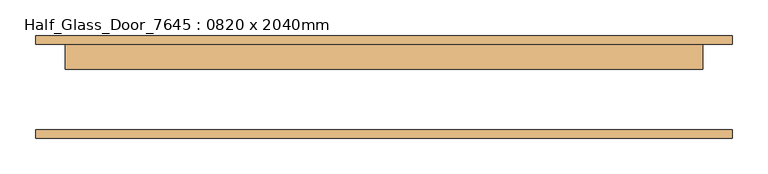
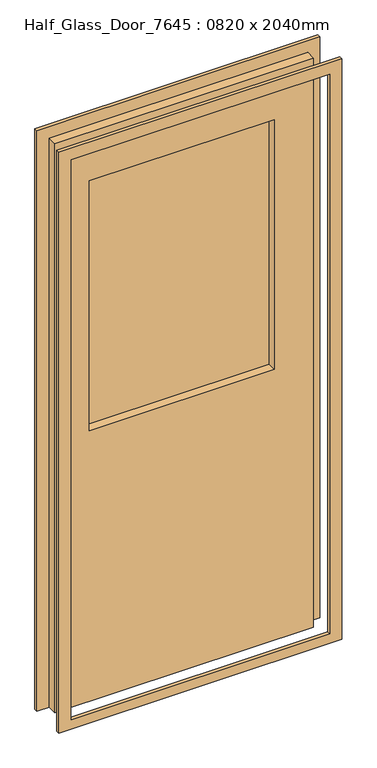
"""IFC4 building model written with IfcOpenShell, lengths in millimetres: door geometry, Half_Glass_Door_7645 : 0820 x 2040mm."""

from ifc_helpers import new_model, si_unit, frame, origin, place, context, project, spatial, polyline, outline, extrude, source, transform, mapped, element, save


def half_glass_door_7645_0820_x_2040mm_808dffdf(model_context):
    return source(origin(), model_context, "Body", "SweptSolid", [
        extrude(outline(polyline([(312.4962337, 57.0), (-328.9037663, 57.0), (-328.9037663, 63.0), (312.4962337, 63.0), (312.4962337, 57.0)])), frame((0.0, 0.0, 991.0533458), z_axis=(0.0, 0.0, 1.0), x_axis=(1.0, 0.0, 0.0)), (0.0, 0.0, 1.0), 914.4),
        extrude(outline(polyline([(2125.0, -489.5), (0.0, -489.5), (0.0, -447.5), (2083.0, -447.5), (2083.0, 447.5), (0.0, 447.5), (0.0, 489.5), (2125.0, 489.5), (2125.0, -489.5)])), frame((0.0, 60.0, 0.0), z_axis=(0.0, 1.0, 0.0), x_axis=(0.0, 0.0, 1.0)), (0.0, 0.0, 1.0), 12.0),
        extrude(outline(polyline([(2125.0, 489.5), (2125.0, -489.5), (0.0, -489.5), (0.0, 489.5), (2125.0, 489.5)]), holes=[polyline([(2083.0, 447.5), (35.0, 447.5), (35.0, -447.5), (2083.0, -447.5), (2083.0, 447.5)])]), frame((0.0, -72.0, 0.0), z_axis=(0.0, 1.0, 0.0), x_axis=(0.0, 0.0, 1.0)), (0.0, 0.0, 1.0), 12.0),
        extrude(outline(polyline([(2083.0, 447.5), (2083.0, -447.5), (0.0, -447.5), (0.0, 447.5), (2083.0, 447.5)]), holes=[polyline([(1905.4533458, 312.4962337), (991.0533458, 312.4962337), (991.0533458, -328.9037663), (1905.4533458, -328.9037663), (1905.4533458, 312.4962337)])]), frame((0.0, 25.0, 0.0), z_axis=(0.0, 1.0, 0.0), x_axis=(0.0, 0.0, 1.0)), (0.0, 0.0, 1.0), 35.0),
    ])


if __name__ == "__main__":
    model = new_model("IFC4")
    model_context = context("Model", 3, world=origin())
    ifc_project = project(units=[si_unit("LENGTHUNIT", "METRE", prefix="MILLI")], contexts=[model_context])
    site = spatial("IfcSite", under=ifc_project)
    building = spatial("IfcBuilding", under=site)
    placement = place(None, origin())
    half_glass_door_7645_0820_x_2040mm_shape = half_glass_door_7645_0820_x_2040mm_808dffdf(model_context)
    element("IfcDoor", 1, ObjectType="Half_Glass_Door_7645 : 0820 x 2040mm", at=placement, inside=building, context=model_context, shape_type="MappedRepresentation", body=[
        mapped(half_glass_door_7645_0820_x_2040mm_shape, transform((0.0, 0.0, 0.0), x_axis=(1.0, 0.0, 0.0), y_axis=(0.0, 1.0, 0.0), z_axis=(0.0, 0.0, 1.0))),
    ])
    save(model, "model.ifc")
